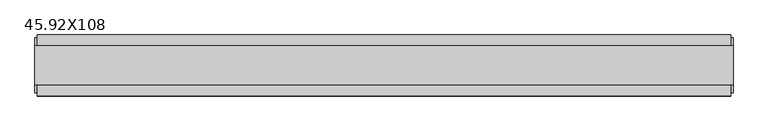
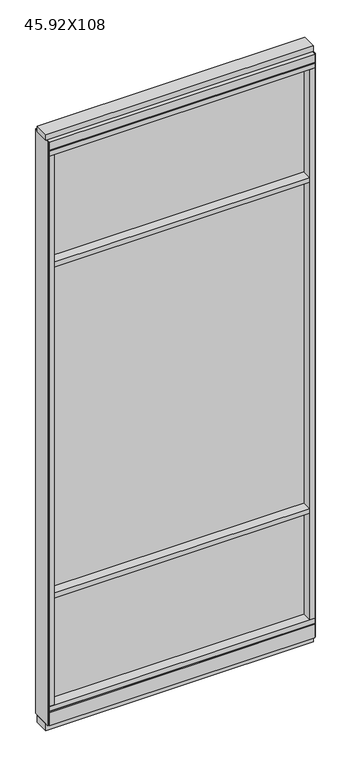
"""IFC4 building model written with IfcOpenShell, lengths in millimetres: furniture geometry, 45.92X108."""

from ifc_helpers import new_model, si_unit, frame, origin, origin_with_axes, place, context, project, spatial, polyline, outline, extrude, source, transform, mapped, element, save


def furniture_45_92x108_32a279e8(model_context):
    return source(origin(), model_context, "Body", "SweptSolid", [
        extrude(outline(polyline([(-617.0585229, 0.5622784), (496.9854771, 0.5622784), (496.9854771, -9.5977216), (-617.0585229, -9.5977216), (-617.0585229, 0.5622784)])), frame((0.0, 0.0, 2155.825), z_axis=(0.0, 0.0, 1.0), x_axis=(1.0, 0.0, 0.0)), (0.0, 0.0, 1.0), 498.475),
        extrude(outline(polyline([(-617.0585229, 0.5622784), (496.9854771, 0.5622784), (496.9854771, -9.5977216), (-617.0585229, -9.5977216), (-617.0585229, 0.5622784)])), frame((0.0, 0.0, 631.825), z_axis=(0.0, 0.0, 1.0), x_axis=(1.0, 0.0, 0.0)), (0.0, 0.0, 1.0), 1501.775),
        extrude(outline(polyline([(-617.0585229, -52.3332216), (-617.0585229, 43.2977784), (496.9854771, 43.2977784), (496.9854771, -52.3332216), (-617.0585229, -52.3332216)])), frame((0.0, 0.0, 2133.6), z_axis=(0.0, 0.0, 1.0), x_axis=(1.0, 0.0, 0.0)), (0.0, 0.0, 1.0), 22.225),
        extrude(outline(polyline([(-617.0585229, -52.3332216), (-617.0585229, 43.2977784), (496.9854771, 43.2977784), (496.9854771, -52.3332216), (-617.0585229, -52.3332216)])), frame((0.0, 0.0, 609.6), z_axis=(0.0, 0.0, 1.0), x_axis=(1.0, 0.0, 0.0)), (0.0, 0.0, 1.0), 22.225),
        extrude(outline(polyline([(496.9854771, -9.5977216), (-617.0585229, -9.5977216), (-617.0585229, 0.5622784), (496.9854771, 0.5622784), (496.9854771, -9.5977216)])), frame((0.0, 0.0, 120.523), z_axis=(0.0, 0.0, 1.0), x_axis=(1.0, 0.0, 0.0)), (0.0, 0.0, 1.0), 489.077),
        extrude(outline(polyline([(-55.3177216, 93.345), (-50.3647216, 93.345), (-50.3647216, 98.298), (41.3292784, 98.298), (41.3292784, 93.345), (46.2822784, 93.345), (46.2822784, 31.75), (-55.3177216, 31.75), (-55.3177216, 93.345)])), frame((-639.2835229, 0.0, 0.0), z_axis=(1.0, 0.0, 0.0), x_axis=(0.0, 1.0, 0.0)), (0.0, 0.0, 1.0), 1158.494),
        extrude(outline(polyline([(-639.2835229, -55.3177216), (-639.2835229, 46.2822784), (519.2104771, 46.2822784), (519.2104771, -55.3177216), (-639.2835229, -55.3177216)])), frame((0.0, 0.0, 98.298), z_axis=(0.0, 0.0, 1.0), x_axis=(1.0, 0.0, 0.0)), (0.0, 0.0, 1.0), 22.225),
        extrude(outline(polyline([(523.1474771, 27.9942784), (523.1474771, -37.0297216), (-643.2205229, -37.0297216), (-643.2205229, 27.9942784), (523.1474771, 27.9942784)])), origin_with_axes(), (0.0, 0.0, 1.0), 31.75),
        extrude(outline(polyline([(-643.2205229, -37.0297216), (-643.2205229, 27.9942784), (523.1474771, 27.9942784), (523.1474771, -37.0297216), (-643.2205229, -37.0297216)])), frame((0.0, 0.0, 2717.8), z_axis=(0.0, 0.0, 1.0), x_axis=(1.0, 0.0, 0.0)), (0.0, 0.0, 1.0), 25.4),
        extrude(outline(polyline([(-55.3177216, 2681.478), (-55.3177216, 2717.8), (46.2822784, 2717.8), (46.2822784, 2681.478), (41.3292784, 2681.478), (41.3292784, 2676.525), (-50.3647216, 2676.525), (-50.3647216, 2681.478), (-55.3177216, 2681.478)])), frame((-639.2835229, 0.0, 0.0), z_axis=(1.0, 0.0, 0.0), x_axis=(0.0, 1.0, 0.0)), (0.0, 0.0, 1.0), 1158.494),
        extrude(outline(polyline([(519.2104771, 46.2822784), (519.2104771, -55.3177216), (-639.2835229, -55.3177216), (-639.2835229, 46.2822784), (519.2104771, 46.2822784)])), frame((0.0, 0.0, 2654.3), z_axis=(0.0, 0.0, 1.0), x_axis=(1.0, 0.0, 0.0)), (0.0, 0.0, 1.0), 22.225),
        extrude(outline(polyline([(496.9854771, -55.3177216), (496.9854771, 46.2822784), (519.2104771, 46.2822784), (519.2104771, -55.3177216), (496.9854771, -55.3177216)])), frame((0.0, 0.0, 120.523), z_axis=(0.0, 0.0, 1.0), x_axis=(1.0, 0.0, 0.0)), (0.0, 0.0, 1.0), 2533.777),
        extrude(outline(polyline([(-617.0585229, -55.3177216), (-639.2835229, -55.3177216), (-639.2835229, 46.2822784), (-617.0585229, 46.2822784), (-617.0585229, -55.3177216)])), frame((0.0, 0.0, 120.523), z_axis=(0.0, 0.0, 1.0), x_axis=(1.0, 0.0, 0.0)), (0.0, 0.0, 1.0), 2533.777),
        extrude(outline(polyline([(523.1474771, -50.3647216), (519.2104771, -50.3647216), (519.2104771, 41.3292784), (523.1474771, 41.3292784), (523.1474771, -50.3647216)])), frame((0.0, 0.0, 31.75), z_axis=(0.0, 0.0, 1.0), x_axis=(1.0, 0.0, 0.0)), (0.0, 0.0, 1.0), 2686.05),
        extrude(outline(polyline([(-643.2205229, -50.3647216), (-643.2205229, 41.3292784), (-639.2835229, 41.3292784), (-639.2835229, -50.3647216), (-643.2205229, -50.3647216)])), frame((0.0, 0.0, 31.75), z_axis=(0.0, 0.0, 1.0), x_axis=(1.0, 0.0, 0.0)), (0.0, 0.0, 1.0), 2686.05),
    ])


if __name__ == "__main__":
    model = new_model("IFC4")
    model_context = context("Model", 3, world=origin())
    ifc_project = project(units=[si_unit("LENGTHUNIT", "METRE", prefix="MILLI")], contexts=[model_context])
    site = spatial("IfcSite", under=ifc_project)
    building = spatial("IfcBuilding", under=site)
    placement = place(None, origin())
    furniture_45_92x108_shape = furniture_45_92x108_32a279e8(model_context)
    element("IfcFurniture", 1, ObjectType="45.92X108", at=placement, inside=building, context=model_context, shape_type="MappedRepresentation", body=[
        mapped(furniture_45_92x108_shape, transform((0.0, 0.0, 0.0), x_axis=(1.0, 0.0, 0.0), y_axis=(0.0, 1.0, 0.0), z_axis=(0.0, 0.0, 1.0))),
    ])
    save(model, "model.ifc")
